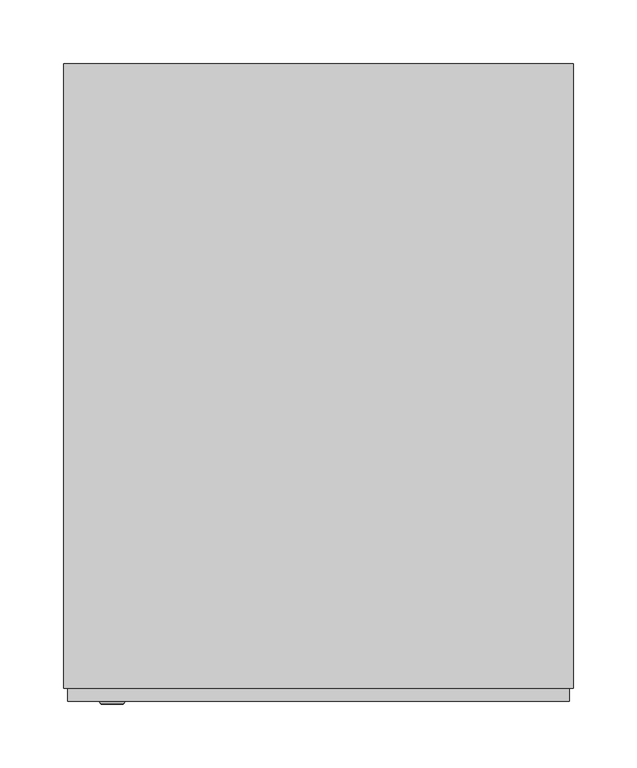
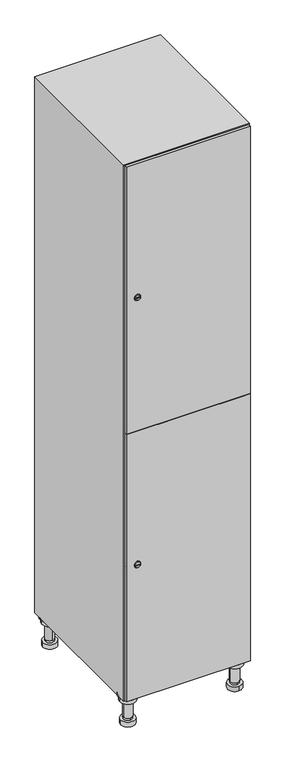
"""IFC4 building model written with IfcOpenShell, lengths in millimetres: furniture geometry."""

from ifc_helpers import new_model, si_unit, point, frame, frame_2d, origin, place, context, project, spatial, polyline, circle_curve, trimmed, segment, composite_curve, outline, extrude, faceted_brep, source, transform, mapped, element, save
from ifc_brep_helpers import plane_surface, cylinder_surface, revolved_surface, advanced_brep


def furniture_f0f2c4b6(model_context):
    return source(origin(), model_context, "Body", "SolidModel", [
        advanced_brep(
        [(170.0, -201.0, 22.0), (170.0, -201.5, 16.0), (170.0, -228.5, 16.0), (170.0, -229.0, 22.0), (156.0, -215.0, 22.0), (184.0, -215.0, 22.0), (170.0, -192.5, 16.0), (170.0, -237.5, 16.0), (170.0, -192.5, 0.0), (170.0, -237.5, 0.0), (184.0, -215.0, 78.0), (156.0, -215.0, 78.0), (195.0, -215.0, 78.0), (145.0, -215.0, 78.0), (200.0, -215.0, 94.0), (140.0, -215.0, 94.0), (145.0, -215.0, 94.0), (195.0, -215.0, 94.0), (200.0, -215.0, 100.0), (140.0, -215.0, 100.0)],
        [
            (0, 1),
            (1, 2, circle_curve(frame((170.0, -215.0, 16.0), z_axis=(0.0, 0.0, 1.0), x_axis=(0.0, -1.0, 0.0)), 13.5)),
            (2, 3),
            (3, 4, circle_curve(frame((170.0, -215.0, 22.0), z_axis=(0.0, 0.0, -1.0), x_axis=(0.0, -1.0, 0.0)), 14.0)),
            (4, 0, circle_curve(frame((170.0, -215.0, 22.0), z_axis=(0.0, 0.0, -1.0), x_axis=(0.0, -1.0, 0.0)), 14.0)),
            (0, 5, circle_curve(frame((170.0, -215.0, 22.0), z_axis=(0.0, 0.0, -1.0), x_axis=(0.0, 1.0, 0.0)), 14.0)),
            (5, 3, circle_curve(frame((170.0, -215.0, 22.0), z_axis=(0.0, 0.0, -1.0), x_axis=(0.0, 1.0, 0.0)), 14.0)),
            (2, 1, circle_curve(frame((170.0, -215.0, 16.0), z_axis=(0.0, 0.0, 1.0), x_axis=(0.0, 1.0, 0.0)), 13.5)),
            (6, 7, circle_curve(frame((170.0, -215.0, 16.0), z_axis=(0.0, 0.0, 1.0), x_axis=(0.0, -1.0, 0.0)), 22.5)),
            (7, 6, circle_curve(frame((170.0, -215.0, 16.0), z_axis=(0.0, 0.0, 1.0), x_axis=(0.0, -1.0, 0.0)), 22.5)),
            (8, 9, circle_curve(frame((170.0, -215.0, 0.0), z_axis=(0.0, 0.0, -1.0), x_axis=(0.0, -1.0, 0.0)), 22.5)),
            (9, 8, circle_curve(frame((170.0, -215.0, 0.0), z_axis=(0.0, 0.0, -1.0), x_axis=(0.0, -1.0, 0.0)), 22.5)),
            (6, 8),
            (9, 7),
            (5, 10),
            (10, 11, circle_curve(frame((170.0, -215.0, 78.0), z_axis=(0.0, 0.0, -1.0), x_axis=(-1.0, 0.0, 0.0)), 14.0)),
            (11, 4),
            (11, 10, circle_curve(frame((170.0, -215.0, 78.0), z_axis=(0.0, 0.0, -1.0), x_axis=(-1.0, 0.0, 0.0)), 14.0)),
            (12, 13, circle_curve(frame((170.0, -215.0, 78.0), z_axis=(0.0, 0.0, -1.0), x_axis=(-1.0, 0.0, 0.0)), 25.0)),
            (13, 12, circle_curve(frame((170.0, -215.0, 78.0), z_axis=(0.0, 0.0, -1.0), x_axis=(-1.0, 0.0, 0.0)), 25.0)),
            (14, 15, circle_curve(frame((170.0, -215.0, 94.0), z_axis=(0.0, 0.0, -1.0), x_axis=(-1.0, 0.0, 0.0)), 30.0)),
            (15, 14, circle_curve(frame((170.0, -215.0, 94.0), z_axis=(0.0, 0.0, -1.0), x_axis=(-1.0, 0.0, 0.0)), 30.0)),
            (16, 17, circle_curve(frame((170.0, -215.0, 94.0), z_axis=(0.0, 0.0, 1.0), x_axis=(-1.0, 0.0, 0.0)), 25.0)),
            (17, 16, circle_curve(frame((170.0, -215.0, 94.0), z_axis=(0.0, 0.0, 1.0), x_axis=(-1.0, 0.0, 0.0)), 25.0)),
            (18, 19, circle_curve(frame((170.0, -215.0, 100.0), z_axis=(0.0, 0.0, 1.0), x_axis=(-1.0, 0.0, 0.0)), 30.0)),
            (19, 18, circle_curve(frame((170.0, -215.0, 100.0), z_axis=(0.0, 0.0, 1.0), x_axis=(-1.0, 0.0, 0.0)), 30.0)),
            (14, 18),
            (19, 15),
            (12, 17),
            (16, 13),
        ],
        [
            revolved_surface(polyline([(170.0, -201.5, 16.0), (170.0, -201.0, 22.0)]), (170.0, -215.0, -146.0), (0.0, 0.0, 1.0)),
            plane_surface(frame((170.0, 0.0, 16.0), z_axis=(0.0, 0.0, 1.0), x_axis=(0.0, -1.0, 0.0))),
            plane_surface(frame((170.0, 0.0, 0.0), z_axis=(0.0, 0.0, -1.0), x_axis=(0.0, -1.0, 0.0))),
            cylinder_surface(frame((170.0, -215.0, 16.0), z_axis=(0.0, 0.0, 1.0), x_axis=(0.0, -1.0, 0.0)), 22.5),
            cylinder_surface(frame((170.0, -215.0, 22.0), z_axis=(0.0, 0.0, -1.0), x_axis=(-1.0, 0.0, 0.0)), 14.0),
            plane_surface(frame((170.0, 0.0, 78.0), z_axis=(0.0, 0.0, -1.0), x_axis=(0.0, -1.0, 0.0))),
            plane_surface(frame((170.0, 0.0, 94.0), z_axis=(0.0, 0.0, -1.0), x_axis=(0.0, -1.0, 0.0))),
            plane_surface(frame((170.0, 0.0, 100.0), z_axis=(0.0, 0.0, 1.0), x_axis=(0.0, -1.0, 0.0))),
            cylinder_surface(frame((170.0, -215.0, 94.0), z_axis=(0.0, 0.0, -1.0), x_axis=(-1.0, 0.0, 0.0)), 30.0),
            cylinder_surface(frame((170.0, -215.0, 78.0), z_axis=(0.0, 0.0, -1.0), x_axis=(-1.0, 0.0, 0.0)), 25.0),
        ],
        [
            (0, [[1, 2, 3, 4, 5]]),
            (0, [[-1, 6, 7, -3, 8]]),
            (1, [[9, 10], [-2, -8]]),
            (2, [[11, 12]]),
            (3, [[-9, 13, -12, 14]]),
            (3, [[-10, -14, -11, -13]]),
            (4, [[15, 16, 17, -4, -7]]),
            (4, [[-15, -6, -5, -17, 18]]),
            (5, [[19, 20], [-16, -18]]),
            (6, [[21, 22], [23, 24]]),
            (7, [[25, 26]]),
            (8, [[-21, 27, -26, 28]]),
            (8, [[-22, -28, -25, -27]]),
            (9, [[-19, 29, -23, 30]]),
            (9, [[-20, -30, -24, -29]]),
        ],
    ),
        advanced_brep(
        [(-170.0, -201.0, 22.0), (-170.0, -201.5, 16.0), (-170.0, -228.5, 16.0), (-170.0, -229.0, 22.0), (-184.0, -215.0, 22.0), (-156.0, -215.0, 22.0), (-147.5, -215.0, 0.0), (-192.5, -215.0, 0.0), (-147.5, -215.0, 16.0), (-192.5, -215.0, 16.0), (-156.0, -215.0, 78.0), (-184.0, -215.0, 78.0), (-145.0, -215.0, 78.0), (-195.0, -215.0, 78.0), (-140.0, -215.0, 94.0), (-200.0, -215.0, 94.0), (-195.0, -215.0, 94.0), (-145.0, -215.0, 94.0), (-140.0, -215.0, 100.0), (-200.0, -215.0, 100.0)],
        [
            (0, 1),
            (1, 2, circle_curve(frame((-170.0, -215.0, 16.0), z_axis=(0.0, 0.0, 1.0), x_axis=(0.0, -1.0, 0.0)), 13.5)),
            (2, 3),
            (3, 4, circle_curve(frame((-170.0, -215.0, 22.0), z_axis=(0.0, 0.0, -1.0), x_axis=(0.0, -1.0, 0.0)), 14.0)),
            (4, 0, circle_curve(frame((-170.0, -215.0, 22.0), z_axis=(0.0, 0.0, -1.0), x_axis=(0.0, -1.0, 0.0)), 14.0)),
            (0, 5, circle_curve(frame((-170.0, -215.0, 22.0), z_axis=(0.0, 0.0, -1.0), x_axis=(0.0, 1.0, 0.0)), 14.0)),
            (5, 3, circle_curve(frame((-170.0, -215.0, 22.0), z_axis=(0.0, 0.0, -1.0), x_axis=(0.0, 1.0, 0.0)), 14.0)),
            (2, 1, circle_curve(frame((-170.0, -215.0, 16.0), z_axis=(0.0, 0.0, 1.0), x_axis=(0.0, 1.0, 0.0)), 13.5)),
            (6, 7, circle_curve(frame((-170.0, -215.0, 0.0), z_axis=(0.0, 0.0, -1.0), x_axis=(-1.0, 0.0, 0.0)), 22.5)),
            (7, 6, circle_curve(frame((-170.0, -215.0, 0.0), z_axis=(0.0, 0.0, -1.0), x_axis=(-1.0, 0.0, 0.0)), 22.5)),
            (8, 9, circle_curve(frame((-170.0, -215.0, 16.0), z_axis=(0.0, 0.0, 1.0), x_axis=(-1.0, 0.0, 0.0)), 22.5)),
            (9, 8, circle_curve(frame((-170.0, -215.0, 16.0), z_axis=(0.0, 0.0, 1.0), x_axis=(-1.0, 0.0, 0.0)), 22.5)),
            (6, 8),
            (9, 7),
            (5, 10),
            (10, 11, circle_curve(frame((-170.0, -215.0, 78.0), z_axis=(0.0, 0.0, -1.0), x_axis=(-1.0, 0.0, 0.0)), 14.0)),
            (11, 4),
            (11, 10, circle_curve(frame((-170.0, -215.0, 78.0), z_axis=(0.0, 0.0, -1.0), x_axis=(-1.0, 0.0, 0.0)), 14.0)),
            (12, 13, circle_curve(frame((-170.0, -215.0, 78.0), z_axis=(0.0, 0.0, -1.0), x_axis=(-1.0, 0.0, 0.0)), 25.0)),
            (13, 12, circle_curve(frame((-170.0, -215.0, 78.0), z_axis=(0.0, 0.0, -1.0), x_axis=(-1.0, 0.0, 0.0)), 25.0)),
            (14, 15, circle_curve(frame((-170.0, -215.0, 94.0), z_axis=(0.0, 0.0, -1.0), x_axis=(-1.0, 0.0, 0.0)), 30.0)),
            (15, 14, circle_curve(frame((-170.0, -215.0, 94.0), z_axis=(0.0, 0.0, -1.0), x_axis=(-1.0, 0.0, 0.0)), 30.0)),
            (16, 17, circle_curve(frame((-170.0, -215.0, 94.0), z_axis=(0.0, 0.0, 1.0), x_axis=(-1.0, 0.0, 0.0)), 25.0)),
            (17, 16, circle_curve(frame((-170.0, -215.0, 94.0), z_axis=(0.0, 0.0, 1.0), x_axis=(-1.0, 0.0, 0.0)), 25.0)),
            (18, 19, circle_curve(frame((-170.0, -215.0, 100.0), z_axis=(0.0, 0.0, 1.0), x_axis=(-1.0, 0.0, 0.0)), 30.0)),
            (19, 18, circle_curve(frame((-170.0, -215.0, 100.0), z_axis=(0.0, 0.0, 1.0), x_axis=(-1.0, 0.0, 0.0)), 30.0)),
            (14, 18),
            (19, 15),
            (12, 17),
            (16, 13),
        ],
        [
            revolved_surface(polyline([(-170.0, -201.5, 16.0), (-170.0, -201.0, 22.0)]), (-170.0, -215.0, -146.0), (0.0, 0.0, 1.0)),
            plane_surface(frame((-170.0, 0.0, 0.0), z_axis=(0.0, 0.0, -1.0), x_axis=(0.0, -1.0, 0.0))),
            plane_surface(frame((-170.0, 0.0, 16.0), z_axis=(0.0, 0.0, 1.0), x_axis=(0.0, -1.0, 0.0))),
            cylinder_surface(frame((-170.0, -215.0, 0.0), z_axis=(0.0, 0.0, -1.0), x_axis=(-1.0, 0.0, 0.0)), 22.5),
            cylinder_surface(frame((-170.0, -215.0, 22.0), z_axis=(0.0, 0.0, -1.0), x_axis=(-1.0, 0.0, 0.0)), 14.0),
            plane_surface(frame((-170.0, 0.0, 78.0), z_axis=(0.0, 0.0, -1.0), x_axis=(0.0, -1.0, 0.0))),
            plane_surface(frame((-170.0, 0.0, 94.0), z_axis=(0.0, 0.0, -1.0), x_axis=(0.0, -1.0, 0.0))),
            plane_surface(frame((-170.0, 0.0, 100.0), z_axis=(0.0, 0.0, 1.0), x_axis=(0.0, -1.0, 0.0))),
            cylinder_surface(frame((-170.0, -215.0, 94.0), z_axis=(0.0, 0.0, -1.0), x_axis=(-1.0, 0.0, 0.0)), 30.0),
            cylinder_surface(frame((-170.0, -215.0, 78.0), z_axis=(0.0, 0.0, -1.0), x_axis=(-1.0, 0.0, 0.0)), 25.0),
        ],
        [
            (0, [[1, 2, 3, 4, 5]]),
            (0, [[-1, 6, 7, -3, 8]]),
            (1, [[9, 10]]),
            (2, [[11, 12], [-2, -8]]),
            (3, [[-9, 13, -12, 14]]),
            (3, [[-10, -14, -11, -13]]),
            (4, [[15, 16, 17, -4, -7]]),
            (4, [[-15, -6, -5, -17, 18]]),
            (5, [[19, 20], [-16, -18]]),
            (6, [[21, 22], [23, 24]]),
            (7, [[25, 26]]),
            (8, [[-21, 27, -26, 28]]),
            (8, [[-22, -28, -25, -27]]),
            (9, [[-19, 29, -23, 30]]),
            (9, [[-20, -30, -24, -29]]),
        ],
    ),
        advanced_brep(
        [(183.5, 215.0, 16.0), (184.0, 215.0, 22.0), (156.0, 215.0, 22.0), (156.5, 215.0, 16.0), (192.5, 215.0, 0.0), (147.5, 215.0, 0.0), (192.5, 215.0, 16.0), (147.5, 215.0, 16.0), (184.0, 215.0, 78.0), (156.0, 215.0, 78.0), (195.0, 215.0, 78.0), (145.0, 215.0, 78.0), (200.0, 215.0, 94.0), (140.0, 215.0, 94.0), (145.0, 215.0, 94.0), (195.0, 215.0, 94.0), (200.0, 215.0, 100.0), (140.0, 215.0, 100.0)],
        [
            (0, 1),
            (1, 2, circle_curve(frame((170.0, 215.0, 22.0), z_axis=(0.0, 0.0, -1.0), x_axis=(-1.0, 0.0, 0.0)), 14.0)),
            (2, 3),
            (3, 0, circle_curve(frame((170.0, 215.0, 16.0), z_axis=(0.0, 0.0, 1.0), x_axis=(-1.0, 0.0, 0.0)), 13.5)),
            (0, 3, circle_curve(frame((170.0, 215.0, 16.0), z_axis=(0.0, 0.0, 1.0), x_axis=(1.0, 0.0, 0.0)), 13.5)),
            (2, 1, circle_curve(frame((170.0, 215.0, 22.0), z_axis=(0.0, 0.0, -1.0), x_axis=(1.0, 0.0, 0.0)), 14.0)),
            (4, 5, circle_curve(frame((170.0, 215.0, 0.0), z_axis=(0.0, 0.0, -1.0), x_axis=(-1.0, 0.0, 0.0)), 22.5)),
            (5, 4, circle_curve(frame((170.0, 215.0, 0.0), z_axis=(0.0, 0.0, -1.0), x_axis=(-1.0, 0.0, 0.0)), 22.5)),
            (6, 7, circle_curve(frame((170.0, 215.0, 16.0), z_axis=(0.0, 0.0, 1.0), x_axis=(-1.0, 0.0, 0.0)), 22.5)),
            (7, 6, circle_curve(frame((170.0, 215.0, 16.0), z_axis=(0.0, 0.0, 1.0), x_axis=(-1.0, 0.0, 0.0)), 22.5)),
            (4, 6),
            (7, 5),
            (1, 8),
            (8, 9, circle_curve(frame((170.0, 215.0, 78.0), z_axis=(0.0, 0.0, -1.0), x_axis=(-1.0, 0.0, 0.0)), 14.0)),
            (9, 2),
            (9, 8, circle_curve(frame((170.0, 215.0, 78.0), z_axis=(0.0, 0.0, -1.0), x_axis=(-1.0, 0.0, 0.0)), 14.0)),
            (10, 11, circle_curve(frame((170.0, 215.0, 78.0), z_axis=(0.0, 0.0, -1.0), x_axis=(-1.0, 0.0, 0.0)), 25.0)),
            (11, 10, circle_curve(frame((170.0, 215.0, 78.0), z_axis=(0.0, 0.0, -1.0), x_axis=(-1.0, 0.0, 0.0)), 25.0)),
            (12, 13, circle_curve(frame((170.0, 215.0, 94.0), z_axis=(0.0, 0.0, -1.0), x_axis=(-1.0, 0.0, 0.0)), 30.0)),
            (13, 12, circle_curve(frame((170.0, 215.0, 94.0), z_axis=(0.0, 0.0, -1.0), x_axis=(-1.0, 0.0, 0.0)), 30.0)),
            (14, 15, circle_curve(frame((170.0, 215.0, 94.0), z_axis=(0.0, 0.0, 1.0), x_axis=(-1.0, 0.0, 0.0)), 25.0)),
            (15, 14, circle_curve(frame((170.0, 215.0, 94.0), z_axis=(0.0, 0.0, 1.0), x_axis=(-1.0, 0.0, 0.0)), 25.0)),
            (16, 17, circle_curve(frame((170.0, 215.0, 100.0), z_axis=(0.0, 0.0, 1.0), x_axis=(-1.0, 0.0, 0.0)), 30.0)),
            (17, 16, circle_curve(frame((170.0, 215.0, 100.0), z_axis=(0.0, 0.0, 1.0), x_axis=(-1.0, 0.0, 0.0)), 30.0)),
            (12, 16),
            (17, 13),
            (10, 15),
            (14, 11),
        ],
        [
            revolved_surface(polyline([(183.5, 215.0, 16.0), (184.0, 215.0, 22.0)]), (170.0, 215.0, -146.0), (0.0, 0.0, 1.0)),
            plane_surface(frame((170.0, 0.0, 0.0), z_axis=(0.0, 0.0, -1.0), x_axis=(0.0, -1.0, 0.0))),
            plane_surface(frame((170.0, 0.0, 16.0), z_axis=(0.0, 0.0, 1.0), x_axis=(0.0, -1.0, 0.0))),
            cylinder_surface(frame((170.0, 215.0, 0.0), z_axis=(0.0, 0.0, -1.0), x_axis=(-1.0, 0.0, 0.0)), 22.5),
            cylinder_surface(frame((170.0, 215.0, 22.0), z_axis=(0.0, 0.0, -1.0), x_axis=(-1.0, 0.0, 0.0)), 14.0),
            plane_surface(frame((170.0, 0.0, 78.0), z_axis=(0.0, 0.0, -1.0), x_axis=(0.0, -1.0, 0.0))),
            plane_surface(frame((170.0, 0.0, 94.0), z_axis=(0.0, 0.0, -1.0), x_axis=(0.0, -1.0, 0.0))),
            plane_surface(frame((170.0, 0.0, 100.0), z_axis=(0.0, 0.0, 1.0), x_axis=(0.0, -1.0, 0.0))),
            cylinder_surface(frame((170.0, 215.0, 94.0), z_axis=(0.0, 0.0, -1.0), x_axis=(-1.0, 0.0, 0.0)), 30.0),
            cylinder_surface(frame((170.0, 215.0, 78.0), z_axis=(0.0, 0.0, -1.0), x_axis=(-1.0, 0.0, 0.0)), 25.0),
        ],
        [
            (0, [[1, 2, 3, 4]]),
            (0, [[-1, 5, -3, 6]]),
            (1, [[7, 8]]),
            (2, [[9, 10], [-4, -5]]),
            (3, [[-7, 11, -10, 12]]),
            (3, [[-8, -12, -9, -11]]),
            (4, [[13, 14, 15, -2]]),
            (4, [[-13, -6, -15, 16]]),
            (5, [[17, 18], [-14, -16]]),
            (6, [[19, 20], [21, 22]]),
            (7, [[23, 24]]),
            (8, [[-19, 25, -24, 26]]),
            (8, [[-20, -26, -23, -25]]),
            (9, [[-17, 27, -21, 28]]),
            (9, [[-18, -28, -22, -27]]),
        ],
    ),
        advanced_brep(
        [(-156.5, 215.0, 16.0), (-156.0, 215.0, 22.0), (-170.0, 201.0, 22.0), (-184.0, 215.0, 22.0), (-183.5, 215.0, 16.0), (-170.0, 229.0, 22.0), (-147.5, 215.0, 0.0), (-192.5, 215.0, 0.0), (-147.5, 215.0, 16.0), (-192.5, 215.0, 16.0), (-170.0, 229.0, 78.0), (-170.0, 201.0, 78.0), (-145.0, 215.0, 78.0), (-195.0, 215.0, 78.0), (-140.0, 215.0, 94.0), (-200.0, 215.0, 94.0), (-195.0, 215.0, 94.0), (-145.0, 215.0, 94.0), (-140.0, 215.0, 100.0), (-200.0, 215.0, 100.0)],
        [
            (0, 1),
            (1, 2, circle_curve(frame((-170.0, 215.0, 22.0), z_axis=(0.0, 0.0, -1.0), x_axis=(-1.0, 0.0, 0.0)), 14.0)),
            (2, 3, circle_curve(frame((-170.0, 215.0, 22.0), z_axis=(0.0, 0.0, -1.0), x_axis=(-1.0, 0.0, 0.0)), 14.0)),
            (3, 4),
            (4, 0, circle_curve(frame((-170.0, 215.0, 16.0), z_axis=(0.0, 0.0, 1.0), x_axis=(-1.0, 0.0, 0.0)), 13.5)),
            (0, 4, circle_curve(frame((-170.0, 215.0, 16.0), z_axis=(0.0, 0.0, 1.0), x_axis=(1.0, 0.0, 0.0)), 13.5)),
            (3, 5, circle_curve(frame((-170.0, 215.0, 22.0), z_axis=(0.0, 0.0, -1.0), x_axis=(1.0, 0.0, 0.0)), 14.0)),
            (5, 1, circle_curve(frame((-170.0, 215.0, 22.0), z_axis=(0.0, 0.0, -1.0), x_axis=(1.0, 0.0, 0.0)), 14.0)),
            (6, 7, circle_curve(frame((-170.0, 215.0, 0.0), z_axis=(0.0, 0.0, -1.0), x_axis=(-1.0, 0.0, 0.0)), 22.5)),
            (7, 6, circle_curve(frame((-170.0, 215.0, 0.0), z_axis=(0.0, 0.0, -1.0), x_axis=(-1.0, 0.0, 0.0)), 22.5)),
            (8, 9, circle_curve(frame((-170.0, 215.0, 16.0), z_axis=(0.0, 0.0, 1.0), x_axis=(-1.0, 0.0, 0.0)), 22.5)),
            (9, 8, circle_curve(frame((-170.0, 215.0, 16.0), z_axis=(0.0, 0.0, 1.0), x_axis=(-1.0, 0.0, 0.0)), 22.5)),
            (6, 8),
            (9, 7),
            (10, 5),
            (2, 11),
            (11, 10, circle_curve(frame((-170.0, 215.0, 78.0), z_axis=(0.0, 0.0, -1.0), x_axis=(0.0, -1.0, 0.0)), 14.0)),
            (10, 11, circle_curve(frame((-170.0, 215.0, 78.0), z_axis=(0.0, 0.0, -1.0), x_axis=(0.0, -1.0, 0.0)), 14.0)),
            (12, 13, circle_curve(frame((-170.0, 215.0, 78.0), z_axis=(0.0, 0.0, -1.0), x_axis=(-1.0, 0.0, 0.0)), 25.0)),
            (13, 12, circle_curve(frame((-170.0, 215.0, 78.0), z_axis=(0.0, 0.0, -1.0), x_axis=(-1.0, 0.0, 0.0)), 25.0)),
            (14, 15, circle_curve(frame((-170.0, 215.0, 94.0), z_axis=(0.0, 0.0, -1.0), x_axis=(-1.0, 0.0, 0.0)), 30.0)),
            (15, 14, circle_curve(frame((-170.0, 215.0, 94.0), z_axis=(0.0, 0.0, -1.0), x_axis=(-1.0, 0.0, 0.0)), 30.0)),
            (16, 17, circle_curve(frame((-170.0, 215.0, 94.0), z_axis=(0.0, 0.0, 1.0), x_axis=(-1.0, 0.0, 0.0)), 25.0)),
            (17, 16, circle_curve(frame((-170.0, 215.0, 94.0), z_axis=(0.0, 0.0, 1.0), x_axis=(-1.0, 0.0, 0.0)), 25.0)),
            (18, 19, circle_curve(frame((-170.0, 215.0, 100.0), z_axis=(0.0, 0.0, 1.0), x_axis=(-1.0, 0.0, 0.0)), 30.0)),
            (19, 18, circle_curve(frame((-170.0, 215.0, 100.0), z_axis=(0.0, 0.0, 1.0), x_axis=(-1.0, 0.0, 0.0)), 30.0)),
            (14, 18),
            (19, 15),
            (12, 17),
            (16, 13),
        ],
        [
            revolved_surface(polyline([(-156.5, 215.0, 16.0), (-156.0, 215.0, 22.0)]), (-170.0, 215.0, -146.0), (0.0, 0.0, 1.0)),
            plane_surface(frame((-170.0, 0.0, 0.0), z_axis=(0.0, 0.0, -1.0), x_axis=(0.0, -1.0, 0.0))),
            plane_surface(frame((-170.0, 0.0, 16.0), z_axis=(0.0, 0.0, 1.0), x_axis=(0.0, -1.0, 0.0))),
            cylinder_surface(frame((-170.0, 215.0, 0.0), z_axis=(0.0, 0.0, -1.0), x_axis=(-1.0, 0.0, 0.0)), 22.5),
            cylinder_surface(frame((-170.0, 215.0, 78.0), z_axis=(0.0, 0.0, 1.0), x_axis=(0.0, -1.0, 0.0)), 14.0),
            plane_surface(frame((-170.0, 0.0, 78.0), z_axis=(0.0, 0.0, -1.0), x_axis=(0.0, -1.0, 0.0))),
            plane_surface(frame((-170.0, 0.0, 94.0), z_axis=(0.0, 0.0, -1.0), x_axis=(0.0, -1.0, 0.0))),
            plane_surface(frame((-170.0, 0.0, 100.0), z_axis=(0.0, 0.0, 1.0), x_axis=(0.0, -1.0, 0.0))),
            cylinder_surface(frame((-170.0, 215.0, 94.0), z_axis=(0.0, 0.0, -1.0), x_axis=(-1.0, 0.0, 0.0)), 30.0),
            cylinder_surface(frame((-170.0, 215.0, 78.0), z_axis=(0.0, 0.0, -1.0), x_axis=(-1.0, 0.0, 0.0)), 25.0),
        ],
        [
            (0, [[1, 2, 3, 4, 5]]),
            (0, [[-1, 6, -4, 7, 8]]),
            (1, [[9, 10]]),
            (2, [[11, 12], [-5, -6]]),
            (3, [[-9, 13, -12, 14]]),
            (3, [[-10, -14, -11, -13]]),
            (4, [[15, -7, -3, 16, 17]]),
            (4, [[-15, 18, -16, -2, -8]]),
            (5, [[19, 20], [-17, -18]]),
            (6, [[21, 22], [23, 24]]),
            (7, [[25, 26]]),
            (8, [[-21, 27, -26, 28]]),
            (8, [[-22, -28, -25, -27]]),
            (9, [[-19, 29, -23, 30]]),
            (9, [[-20, -30, -24, -29]]),
        ],
    ),
        extrude(outline(composite_curve([segment(trimmed(circle_curve(frame_2d((551.5, -188.7989466)), 7.0), [point((558.5, -188.7989466))], [point((544.5, -188.7989466))], False, "CARTESIAN"), True, "CONTINUOUS"), segment(polyline([(544.5, -188.7989466), (544.5, -160.7989466)]), True, "CONTINUOUS"), segment(trimmed(circle_curve(frame_2d((551.5, -160.7989466)), 7.0), [point((544.5, -160.7989466))], [point((558.5, -160.7989466))], False, "CARTESIAN"), True, "CONTINUOUS"), segment(polyline([(558.5, -160.7989466), (558.5, -188.7989466)]), True, "CONTINUOUS")], self_intersect=False)), frame((0.0, -245.0, 0.0), z_axis=(0.0, 1.0, 0.0), x_axis=(0.0, 0.0, 1.0)), (0.0, 0.0, 1.0), 2.0),
        advanced_brep(
        [(-153.5, -257.2, 551.5), (-170.5, -257.2, 551.5), (-167.0, -257.2, 550.25), (-167.0, -257.2, 552.75), (-157.0, -257.2, 552.75), (-157.0, -257.2, 550.25), (-151.5, -255.0, 551.5), (-172.5, -255.0, 551.5), (-167.0, -255.0, 552.75), (-167.0, -255.0, 550.25), (-157.0, -255.0, 550.25), (-157.0, -255.0, 552.75)],
        [
            (0, 1, circle_curve(frame((-162.0, -257.2, 551.5), z_axis=(0.0, -1.0, 0.0), x_axis=(1.0, 0.0, 0.0)), 8.5)),
            (1, 0, circle_curve(frame((-162.0, -257.2, 551.5), z_axis=(0.0, -1.0, 0.0), x_axis=(-1.0, 0.0, 0.0)), 8.5)),
            (2, 3),
            (3, 4),
            (4, 5),
            (5, 2),
            (6, 7, circle_curve(frame((-162.0, -255.0, 551.5), z_axis=(0.0, 1.0, 0.0), x_axis=(-1.0, 0.0, 0.0)), 10.5)),
            (7, 6, circle_curve(frame((-162.0, -255.0, 551.5), z_axis=(0.0, 1.0, 0.0), x_axis=(1.0, 0.0, 0.0)), 10.5)),
            (8, 9),
            (9, 10),
            (10, 11),
            (11, 8),
            (0, 6),
            (7, 1),
            (8, 3),
            (2, 9),
            (11, 4),
            (10, 5),
        ],
        [
            plane_surface(frame((-162.0, -257.2, 551.5), z_axis=(0.0, -1.0, 0.0), x_axis=(0.0, 0.0, 1.0))),
            plane_surface(frame((-162.0, -255.0, 551.5), z_axis=(0.0, 1.0, 0.0), x_axis=(0.0, 0.0, 1.0))),
            revolved_surface(polyline([(-153.5, -257.2, 551.5), (-151.5, -255.0, 551.5)]), (-162.0, -266.55, 551.5), (0.0, 1.0, 0.0)),
            revolved_surface(polyline([(-170.5, -257.2, 551.5), (-172.5, -255.0, 551.5)]), (-162.0, -266.55, 551.5), (0.0, 1.0, 0.0)),
            plane_surface(frame((-167.0, -255.0, 550.25), z_axis=(1.0, 0.0, 0.0), x_axis=(0.0, -1.0, 0.0))),
            plane_surface(frame((-167.0, -255.0, 552.75), z_axis=(0.0, 0.0, -1.0), x_axis=(0.0, -1.0, 0.0))),
            plane_surface(frame((-157.0, -255.0, 552.75), z_axis=(-1.0, 0.0, 0.0), x_axis=(0.0, -1.0, 0.0))),
            plane_surface(frame((-157.0, -255.0, 550.25), z_axis=(0.0, 0.0, 1.0), x_axis=(0.0, -1.0, 0.0))),
        ],
        [
            (0, [[1, 2], [3, 4, 5, 6]]),
            (1, [[7, 8], [9, 10, 11, 12]]),
            (2, [[-1, 13, -8, 14]]),
            (3, [[-2, -14, -7, -13]]),
            (4, [[15, -3, 16, -9]]),
            (5, [[-15, -12, 17, -4]]),
            (6, [[-17, -11, 18, -5]]),
            (7, [[-16, -6, -18, -10]]),
        ],
    ),
        extrude(outline(composite_curve([segment(trimmed(circle_curve(frame_2d((1448.5, -188.7989466)), 7.0), [point((1455.5, -188.7989466))], [point((1441.5, -188.7989466))], False, "CARTESIAN"), True, "CONTINUOUS"), segment(polyline([(1441.5, -188.7989466), (1441.5, -160.7989466)]), True, "CONTINUOUS"), segment(trimmed(circle_curve(frame_2d((1448.5, -160.7989466)), 7.0), [point((1441.5, -160.7989466))], [point((1455.5, -160.7989466))], False, "CARTESIAN"), True, "CONTINUOUS"), segment(polyline([(1455.5, -160.7989466), (1455.5, -188.7989466)]), True, "CONTINUOUS")], self_intersect=False)), frame((0.0, -245.0, 0.0), z_axis=(0.0, 1.0, 0.0), x_axis=(0.0, 0.0, 1.0)), (0.0, 0.0, 1.0), 2.0),
        advanced_brep(
        [(-153.5, -257.2, 1448.5), (-170.5, -257.2, 1448.5), (-167.0, -257.2, 1447.25), (-167.0, -257.2, 1449.75), (-157.0, -257.2, 1449.75), (-157.0, -257.2, 1447.25), (-151.5, -255.0, 1448.5), (-172.5, -255.0, 1448.5), (-167.0, -255.0, 1449.75), (-167.0, -255.0, 1447.25), (-157.0, -255.0, 1447.25), (-157.0, -255.0, 1449.75)],
        [
            (0, 1, circle_curve(frame((-162.0, -257.2, 1448.5), z_axis=(0.0, -1.0, 0.0), x_axis=(1.0, 0.0, 0.0)), 8.5)),
            (1, 0, circle_curve(frame((-162.0, -257.2, 1448.5), z_axis=(0.0, -1.0, 0.0), x_axis=(-1.0, 0.0, 0.0)), 8.5)),
            (2, 3),
            (3, 4),
            (4, 5),
            (5, 2),
            (6, 7, circle_curve(frame((-162.0, -255.0, 1448.5), z_axis=(0.0, 1.0, 0.0), x_axis=(-1.0, 0.0, 0.0)), 10.5)),
            (7, 6, circle_curve(frame((-162.0, -255.0, 1448.5), z_axis=(0.0, 1.0, 0.0), x_axis=(1.0, 0.0, 0.0)), 10.5)),
            (8, 9),
            (9, 10),
            (10, 11),
            (11, 8),
            (0, 6),
            (7, 1),
            (8, 3),
            (2, 9),
            (11, 4),
            (10, 5),
        ],
        [
            plane_surface(frame((-162.0, -257.2, 1448.5), z_axis=(0.0, -1.0, 0.0), x_axis=(0.0, 0.0, 1.0))),
            plane_surface(frame((-162.0, -255.0, 1448.5), z_axis=(0.0, 1.0, 0.0), x_axis=(0.0, 0.0, 1.0))),
            revolved_surface(polyline([(-153.5, -257.2, 1448.5), (-151.5, -255.0, 1448.5)]), (-162.0, -266.55, 1448.5), (0.0, 1.0, 0.0)),
            revolved_surface(polyline([(-170.5, -257.2, 1448.5), (-172.5, -255.0, 1448.5)]), (-162.0, -266.55, 1448.5), (0.0, 1.0, 0.0)),
            plane_surface(frame((-167.0, -255.0, 1447.25), z_axis=(1.0, 0.0, 0.0), x_axis=(0.0, -1.0, 0.0))),
            plane_surface(frame((-167.0, -255.0, 1449.75), z_axis=(0.0, 0.0, -1.0), x_axis=(0.0, -1.0, 0.0))),
            plane_surface(frame((-157.0, -255.0, 1449.75), z_axis=(-1.0, 0.0, 0.0), x_axis=(0.0, -1.0, 0.0))),
            plane_surface(frame((-157.0, -255.0, 1447.25), z_axis=(0.0, 0.0, 1.0), x_axis=(0.0, -1.0, 0.0))),
        ],
        [
            (0, [[1, 2], [3, 4, 5, 6]]),
            (1, [[7, 8], [9, 10, 11, 12]]),
            (2, [[-1, 13, -8, 14]]),
            (3, [[-2, -14, -7, -13]]),
            (4, [[15, -3, 16, -9]]),
            (5, [[-15, -12, 17, -4]]),
            (6, [[-17, -11, 18, -5]]),
            (7, [[-16, -6, -18, -10]]),
        ],
    ),
        extrude(outline(polyline([(-197.0, -255.0), (-197.0, -245.0), (197.0, -245.0), (197.0, -255.0), (-197.0, -255.0)])), frame((0.0, 0.0, 103.0), z_axis=(0.0, 0.0, 1.0), x_axis=(1.0, 0.0, 0.0)), (0.0, 0.0, 1.0), 896.5),
        extrude(outline(polyline([(197.0, -245.0), (197.0, -255.0), (-197.0, -255.0), (-197.0, -245.0), (197.0, -245.0)])), frame((0.0, 0.0, 1000.5), z_axis=(0.0, 0.0, 1.0), x_axis=(1.0, 0.0, 0.0)), (0.0, 0.0, 1.0), 896.5),
        extrude(outline(polyline([(190.0, 241.0), (190.0, -235.0), (-190.0, -235.0), (-190.0, 241.0), (190.0, 241.0)])), frame((0.0, 0.0, 995.0), z_axis=(0.0, 0.0, 1.0), x_axis=(1.0, 0.0, 0.0)), (0.0, 0.0, 1.0), 10.0),
        faceted_brep([(200.0, -245.0, 100.0), (200.0, -245.0, 1900.0), (-200.0, -245.0, 1900.0), (-200.0, -245.0, 100.0), (190.0, -245.0, 1890.0), (190.0, -245.0, 110.0), (-190.0, -245.0, 110.0), (-190.0, -245.0, 1890.0), (200.0, 245.0, 100.0), (-200.0, 245.0, 100.0), (200.0, 245.0, 1900.0), (-200.0, 245.0, 1900.0), (190.0, 241.0, 1890.0), (190.0, 241.0, 110.0), (-200.0, 245.0, 1890.0), (-190.0, 241.0, 1890.0), (-190.0, 241.0, 110.0)], [[[0, 1, 2, 3], [4, 5, 6, 7]], [[8, 0, 3, 9]], [[1, 0, 8, 10]], [[1, 10, 11, 2]], [[4, 12, 13, 5]], [[9, 3, 2, 11, 14]], [[10, 8, 9, 14, 11]], [[12, 15, 16, 13]], [[15, 7, 6, 16]], [[4, 7, 15, 12]], [[6, 5, 13, 16]]]),
    ])


if __name__ == "__main__":
    model = new_model("IFC4")
    model_context = context("Model", 3, world=origin())
    ifc_project = project(units=[si_unit("LENGTHUNIT", "METRE", prefix="MILLI")], contexts=[model_context])
    site = spatial("IfcSite", under=ifc_project)
    building = spatial("IfcBuilding", under=site)
    placement = place(None, origin())
    furniture_shape = furniture_f0f2c4b6(model_context)
    element("IfcFurniture", 1, at=placement, inside=building, context=model_context, shape_type="MappedRepresentation", body=[
        mapped(furniture_shape, transform((0.0, 0.0, 0.0), x_axis=(1.0, 0.0, 0.0), y_axis=(0.0, 1.0, 0.0), z_axis=(0.0, 0.0, 1.0))),
    ])
    save(model, "model.ifc")
